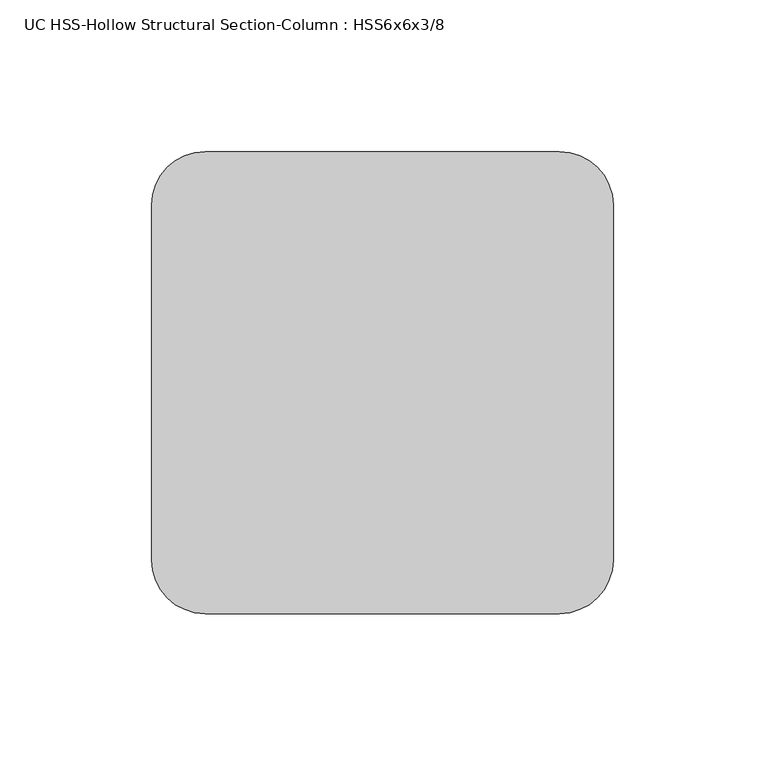
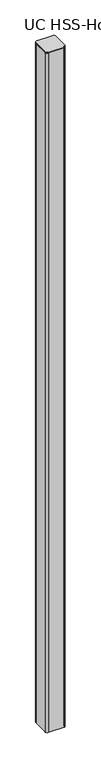
"""IFC4 building model written with IfcOpenShell, lengths in millimetres: column geometry, UC HSS-Hollow Structural Section-Column : HSS6x6x3/8."""

from ifc_helpers import new_model, si_unit, point, frame, frame_2d, origin, place, context, project, spatial, polyline, circle_curve, trimmed, segment, composite_curve, outline, extrude, source, transform, mapped, element, save


def uc_hss_hollow_structural_section_column_hss6x6x3_8_916cd601(model_context):
    return source(origin(), model_context, "Body", "SweptSolid", [
        extrude(outline(composite_curve([segment(trimmed(circle_curve(frame_2d((-58.5390625, 58.5390625)), 17.6609375), [point((-76.2, 58.5390625))], [point((-58.5390625, 76.2))], False, "CARTESIAN"), True, "CONTINUOUS"), segment(polyline([(-58.5390625, 76.2), (58.5390625, 76.2)]), True, "CONTINUOUS"), segment(trimmed(circle_curve(frame_2d((58.5390625, 58.5390625)), 17.6609375), [point((58.5390625, 76.2))], [point((76.2, 58.5390625))], False, "CARTESIAN"), True, "CONTINUOUS"), segment(polyline([(76.2, 58.5390625), (76.2, -58.5390625)]), True, "CONTINUOUS"), segment(trimmed(circle_curve(frame_2d((58.5390625, -58.5390625)), 17.6609375), [point((76.2, -58.5390625))], [point((58.5390625, -76.2))], False, "CARTESIAN"), True, "CONTINUOUS"), segment(polyline([(58.5390625, -76.2), (-58.5390625, -76.2)]), True, "CONTINUOUS"), segment(trimmed(circle_curve(frame_2d((-58.5390625, -58.5390625)), 17.6609375), [point((-58.5390625, -76.2))], [point((-76.2, -58.5390625))], False, "CARTESIAN"), True, "CONTINUOUS"), segment(polyline([(-76.2, -58.5390625), (-76.2, 58.5390625)]), True, "CONTINUOUS")], self_intersect=False)), frame((0.0, 0.0, 5175.25), z_axis=(0.0, 0.0, 1.0), x_axis=(1.0, 0.0, 0.0)), (0.0, 0.0, 1.0), 6.35),
        extrude(outline(composite_curve([segment(trimmed(circle_curve(frame_2d((58.4708, 58.4708)), 17.7292), [point((58.4708, 76.2))], [point((76.2, 58.4708))], False, "CARTESIAN"), True, "CONTINUOUS"), segment(polyline([(76.2, 58.4708), (76.2, -58.4708)]), True, "CONTINUOUS"), segment(trimmed(circle_curve(frame_2d((58.4708, -58.4708)), 17.7292), [point((76.2, -58.4708))], [point((58.4708, -76.2))], False, "CARTESIAN"), True, "CONTINUOUS"), segment(polyline([(58.4708, -76.2), (-58.4708, -76.2)]), True, "CONTINUOUS"), segment(trimmed(circle_curve(frame_2d((-58.4708, -58.4708)), 17.7292), [point((-58.4708, -76.2))], [point((-76.2, -58.4708))], False, "CARTESIAN"), True, "CONTINUOUS"), segment(polyline([(-76.2, -58.4708), (-76.2, 58.4708)]), True, "CONTINUOUS"), segment(trimmed(circle_curve(frame_2d((-58.4708, 58.4708)), 17.7292), [point((-76.2, 58.4708))], [point((-58.4708, 76.2))], False, "CARTESIAN"), True, "CONTINUOUS"), segment(polyline([(-58.4708, 76.2), (58.4708, 76.2)]), True, "CONTINUOUS")], self_intersect=False), holes=[composite_curve([segment(polyline([(58.4708, 67.3354), (-58.4708, 67.3354)]), True, "CONTINUOUS"), segment(trimmed(circle_curve(frame_2d((-58.4708, 58.4708)), 8.8646), [point((-58.4708, 67.3354))], [point((-67.3354, 58.4708))], True, "CARTESIAN"), True, "CONTINUOUS"), segment(polyline([(-67.3354, 58.4708), (-67.3354, -58.4708)]), True, "CONTINUOUS"), segment(trimmed(circle_curve(frame_2d((-58.4708, -58.4708)), 8.8646), [point((-67.3354, -58.4708))], [point((-58.4708, -67.3354))], True, "CARTESIAN"), True, "CONTINUOUS"), segment(polyline([(-58.4708, -67.3354), (58.4708, -67.3354)]), True, "CONTINUOUS"), segment(trimmed(circle_curve(frame_2d((58.4708, -58.4708)), 8.8646), [point((58.4708, -67.3354))], [point((67.3354, -58.4708))], True, "CARTESIAN"), True, "CONTINUOUS"), segment(polyline([(67.3354, -58.4708), (67.3354, 58.4708)]), True, "CONTINUOUS"), segment(trimmed(circle_curve(frame_2d((58.4708, 58.4708)), 8.8646), [point((67.3354, 58.4708))], [point((58.4708, 67.3354))], True, "CARTESIAN"), True, "CONTINUOUS")], self_intersect=False)]), frame((0.0, 0.0, -304.8), z_axis=(0.0, 0.0, 1.0), x_axis=(1.0, 0.0, 0.0)), (0.0, 0.0, 1.0), 5480.05),
    ])


if __name__ == "__main__":
    model = new_model("IFC4")
    model_context = context("Model", 3, world=origin())
    ifc_project = project(units=[si_unit("LENGTHUNIT", "METRE", prefix="MILLI")], contexts=[model_context])
    site = spatial("IfcSite", under=ifc_project)
    building = spatial("IfcBuilding", under=site)
    placement = place(None, origin())
    uc_hss_hollow_structural_section_column_hss6x6x3_8_shape = uc_hss_hollow_structural_section_column_hss6x6x3_8_916cd601(model_context)
    element("IfcColumn", 1, ObjectType="UC HSS-Hollow Structural Section-Column : HSS6x6x3/8", at=placement, inside=building, context=model_context, shape_type="MappedRepresentation", body=[
        mapped(uc_hss_hollow_structural_section_column_hss6x6x3_8_shape, transform((0.0, 0.0, 0.0), x_axis=(1.0, 0.0, 0.0), y_axis=(0.0, 1.0, 0.0), z_axis=(0.0, 0.0, 1.0))),
    ])
    save(model, "model.ifc")
